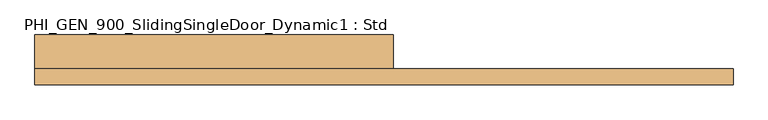
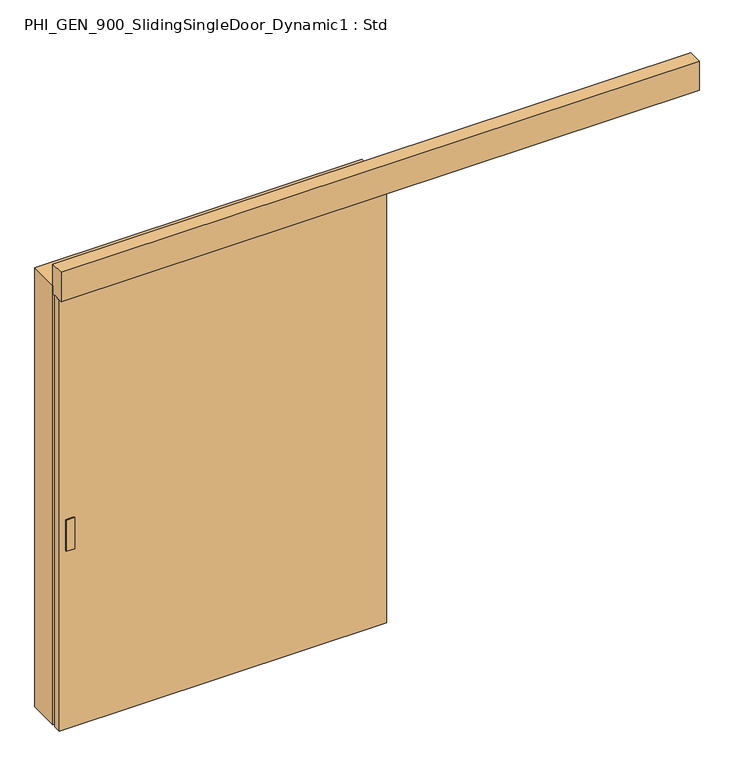
"""IFC4 building model written with IfcOpenShell, lengths in millimetres: door geometry, PHI_GEN_900_SlidingSingleDoor_Dynamic1 : Std."""

from ifc_helpers import new_model, si_unit, frame, origin, origin_with_axes, place, context, project, spatial, polyline, outline, extrude, source, transform, mapped, element, save


def phi_gen_900_slidingsingledoor_dynamic1_std_f15d5cd4(model_context):
    return source(origin(), model_context, "Body", "SweptSolid", [
        extrude(outline(polyline([(665.0, -90.0), (665.0, -130.0), (-915.0, -130.0), (-915.0, -90.0), (665.0, -90.0)])), origin_with_axes(), (0.0, 0.0, 1.0), 2200.0),
        extrude(outline(polyline([(-885.0, -135.0), (-885.0, -130.0), (-845.0, -130.0), (-845.0, -135.0), (-885.0, -135.0)])), frame((0.0, 0.0, 910.0), z_axis=(0.0, 0.0, 1.0), x_axis=(1.0, 0.0, 0.0)), (0.0, 0.0, 1.0), 160.0),
        extrude(outline(polyline([(-845.0, -90.0), (-885.0, -90.0), (-885.0, -85.0), (-845.0, -85.0), (-845.0, -90.0)])), frame((0.0, 0.0, 910.0), z_axis=(0.0, 0.0, 1.0), x_axis=(1.0, 0.0, 0.0)), (0.0, 0.0, 1.0), 160.0),
        extrude(outline(polyline([(0.0, -875.0), (2200.0, -875.0), (2200.0, 625.0), (0.0, 625.0), (0.0, 665.0), (2240.0, 665.0), (2240.0, -915.0), (0.0, -915.0), (0.0, -875.0)])), frame((0.0, -75.0, 0.0), z_axis=(0.0, 1.0, 0.0), x_axis=(0.0, 0.0, 1.0)), (0.0, 0.0, 1.0), 150.0),
        extrude(outline(polyline([(-915.0, -145.0), (-915.0, -75.0), (2165.0, -75.0), (2165.0, -145.0), (-915.0, -145.0)])), frame((0.0, 0.0, 2200.0), z_axis=(0.0, 0.0, 1.0), x_axis=(1.0, 0.0, 0.0)), (0.0, 0.0, 1.0), 150.0),
    ])


if __name__ == "__main__":
    model = new_model("IFC4")
    model_context = context("Model", 3, world=origin())
    ifc_project = project(units=[si_unit("LENGTHUNIT", "METRE", prefix="MILLI")], contexts=[model_context])
    site = spatial("IfcSite", under=ifc_project)
    building = spatial("IfcBuilding", under=site)
    placement = place(None, origin())
    phi_gen_900_slidingsingledoor_dynamic1_std_shape = phi_gen_900_slidingsingledoor_dynamic1_std_f15d5cd4(model_context)
    element("IfcDoor", 1, ObjectType="PHI_GEN_900_SlidingSingleDoor_Dynamic1 : Std", at=placement, inside=building, context=model_context, shape_type="MappedRepresentation", body=[
        mapped(phi_gen_900_slidingsingledoor_dynamic1_std_shape, transform((0.0, 0.0, 0.0), x_axis=(1.0, 0.0, 0.0), y_axis=(0.0, 1.0, 0.0), z_axis=(0.0, 0.0, 1.0))),
    ])
    save(model, "model.ifc")
